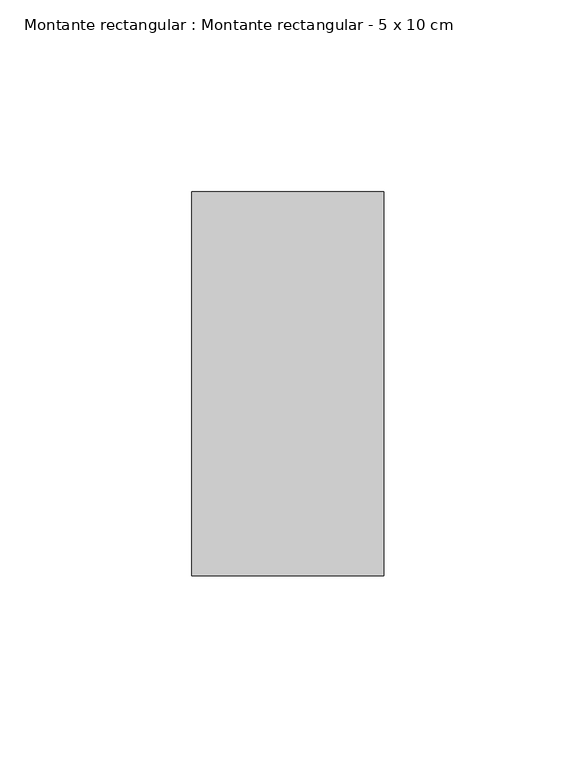
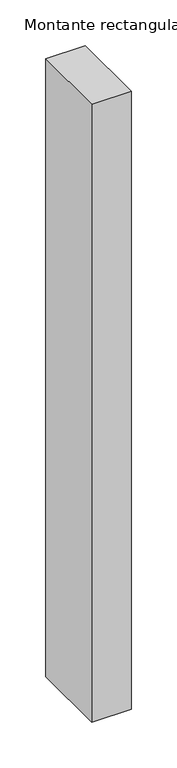
"""IFC4 building model written with IfcOpenShell, lengths in millimetres: member geometry, Montante rectangular : Montante rectangular - 5 x 10 cm."""

from ifc_helpers import new_model, si_unit, frame, origin, place, context, project, spatial, polyline, outline, extrude, source, transform, mapped, element, save


def montante_rectangular_montante_rectangular_5_x_10_cm_83ce8e14(model_context):
    return source(origin(), model_context, "Body", "SweptSolid", [
        extrude(outline(polyline([(-50.0, 50.0), (0.0, 50.0), (0.0, -50.0), (-50.0, -50.0), (-50.0, 50.0)])), frame((0.0, 0.0, -824.3783611), z_axis=(0.0, 0.0, 1.0), x_axis=(1.0, 0.0, 0.0)), (0.0, 0.0, 1.0), 824.3783611),
    ])


if __name__ == "__main__":
    model = new_model("IFC4")
    model_context = context("Model", 3, world=origin())
    ifc_project = project(units=[si_unit("LENGTHUNIT", "METRE", prefix="MILLI")], contexts=[model_context])
    site = spatial("IfcSite", under=ifc_project)
    building = spatial("IfcBuilding", under=site)
    placement = place(None, origin())
    montante_rectangular_montante_rectangular_5_x_10_cm_shape = montante_rectangular_montante_rectangular_5_x_10_cm_83ce8e14(model_context)
    element("IfcMember", 1, ObjectType="Montante rectangular : Montante rectangular - 5 x 10 cm", at=placement, inside=building, context=model_context, shape_type="MappedRepresentation", body=[
        mapped(montante_rectangular_montante_rectangular_5_x_10_cm_shape, transform((0.0, 0.0, 0.0), x_axis=(1.0, 0.0, 0.0), y_axis=(0.0, 1.0, 0.0), z_axis=(0.0, 0.0, 1.0))),
    ])
    save(model, "model.ifc")
